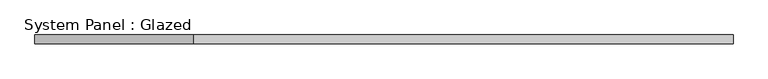
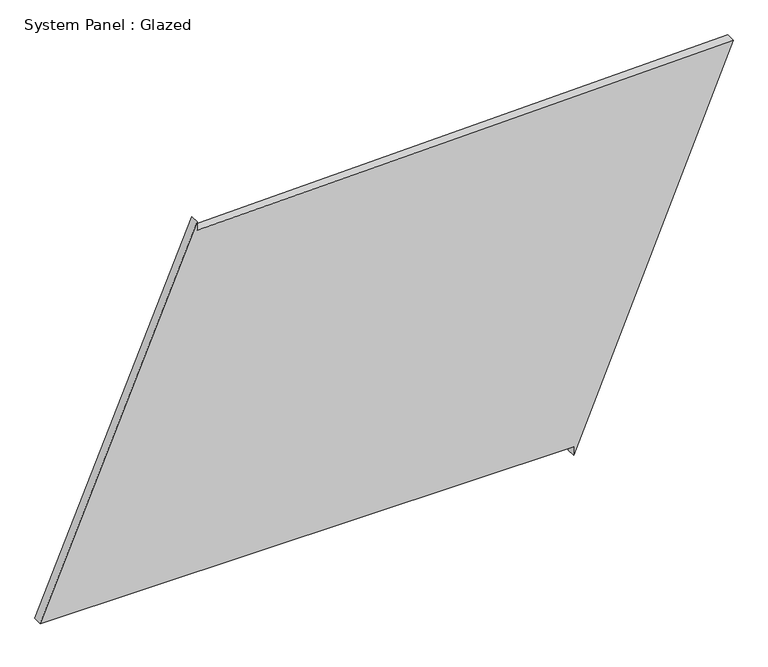
"""IFC4 building model written with IfcOpenShell, lengths in millimetres: plate geometry, System Panel : Glazed."""

from ifc_helpers import new_model, si_unit, frame, origin, place, context, project, spatial, polyline, outline, extrude, source, transform, mapped, element, save


def system_panel_glazed_026ab65b(model_context):
    return source(origin(), model_context, "Body", "SweptSolid", [
        extrude(outline(polyline([(25.0, 523.1758908), (0.0, 523.1758908), (1071.877099, 969.1285095), (1034.4516132, -529.5022332), (1059.4438211, -530.1263666), (25.0, -969.1285095), (25.0, 523.1758908)])), frame((0.0, -49.5, 0.0), z_axis=(0.0, 1.0, 0.0), x_axis=(0.0, 0.0, 1.0)), (0.0, 0.0, 1.0), 25.0),
    ])


if __name__ == "__main__":
    model = new_model("IFC4")
    model_context = context("Model", 3, world=origin())
    ifc_project = project(units=[si_unit("LENGTHUNIT", "METRE", prefix="MILLI")], contexts=[model_context])
    site = spatial("IfcSite", under=ifc_project)
    building = spatial("IfcBuilding", under=site)
    placement = place(None, origin())
    system_panel_glazed_shape = system_panel_glazed_026ab65b(model_context)
    element("IfcPlate", 1, ObjectType="System Panel : Glazed", at=placement, inside=building, context=model_context, shape_type="MappedRepresentation", body=[
        mapped(system_panel_glazed_shape, transform((0.0, 0.0, 0.0), x_axis=(1.0, 0.0, 0.0), y_axis=(0.0, 1.0, 0.0), z_axis=(0.0, 0.0, 1.0))),
    ])
    save(model, "model.ifc")
